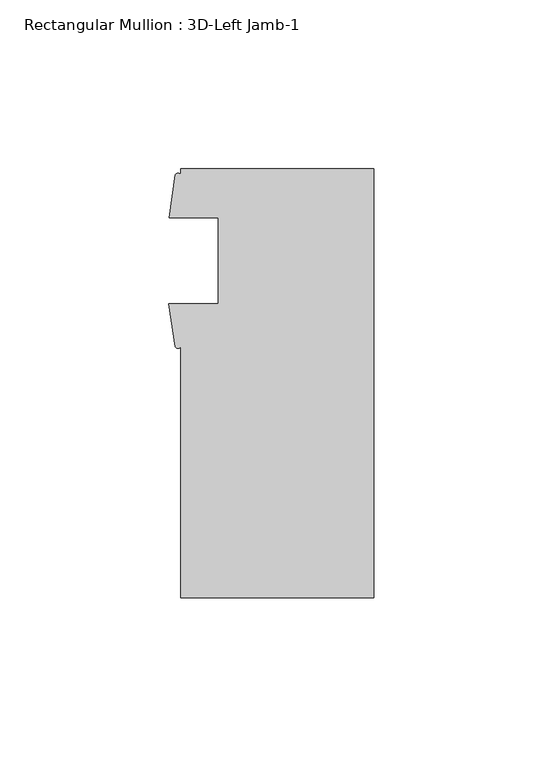
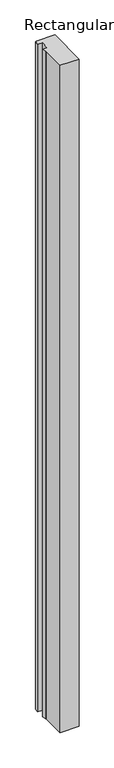
"""IFC4 building model written with IfcOpenShell, lengths in millimetres: member geometry, Rectangular Mullion : 3D-Left Jamb-1."""

from ifc_helpers import new_model, si_unit, point, frame, frame_2d, origin, place, context, project, spatial, polyline, circle_curve, trimmed, segment, composite_curve, outline, extrude, source, transform, mapped, element, save


def rectangular_mullion_3d_left_jamb_1_136ecffa(model_context):
    return source(origin(), model_context, "Body", "SweptSolid", [
        extrude(outline(composite_curve([segment(polyline([(0.0, -73.025), (-57.15, -73.025), (-57.15, 1.2984222)]), True, "CONTINUOUS"), segment(trimmed(circle_curve(frame_2d((-57.9817022, 1.8151635)), 0.9791578), [point((-57.15, 1.2984222))], [point((-58.8134044, 1.2984222))], False, "CARTESIAN"), True, "CONTINUOUS"), segment(polyline([(-58.8134044, 1.2984222), (-60.6695217, 14.071475), (-46.0375, 14.071475), (-46.0375, 39.471475), (-60.546, 39.471475), (-58.7419699, 52.1999093)]), True, "CONTINUOUS"), segment(trimmed(circle_curve(frame_2d((-57.945985, 51.8087445)), 0.8869058), [point((-58.7419699, 52.1999093))], [point((-57.15, 52.1999093))], False, "CARTESIAN"), True, "CONTINUOUS"), segment(polyline([(-57.15, 52.1999093), (-57.15, 53.975), (0.0, 53.975), (0.0, -73.025)]), True, "CONTINUOUS")], self_intersect=False)), frame((0.0, 0.0, -2128.6390625), z_axis=(0.0, 0.0, 1.0), x_axis=(1.0, 0.0, 0.0)), (0.0, 0.0, 1.0), 2128.6390625),
    ])


if __name__ == "__main__":
    model = new_model("IFC4")
    model_context = context("Model", 3, world=origin())
    ifc_project = project(units=[si_unit("LENGTHUNIT", "METRE", prefix="MILLI")], contexts=[model_context])
    site = spatial("IfcSite", under=ifc_project)
    building = spatial("IfcBuilding", under=site)
    placement = place(None, origin())
    rectangular_mullion_3d_left_jamb_1_shape = rectangular_mullion_3d_left_jamb_1_136ecffa(model_context)
    element("IfcMember", 1, ObjectType="Rectangular Mullion : 3D-Left Jamb-1", at=placement, inside=building, context=model_context, shape_type="MappedRepresentation", body=[
        mapped(rectangular_mullion_3d_left_jamb_1_shape, transform((0.0, 0.0, 0.0), x_axis=(1.0, 0.0, 0.0), y_axis=(0.0, 1.0, 0.0), z_axis=(0.0, 0.0, 1.0))),
    ])
    save(model, "model.ifc")
